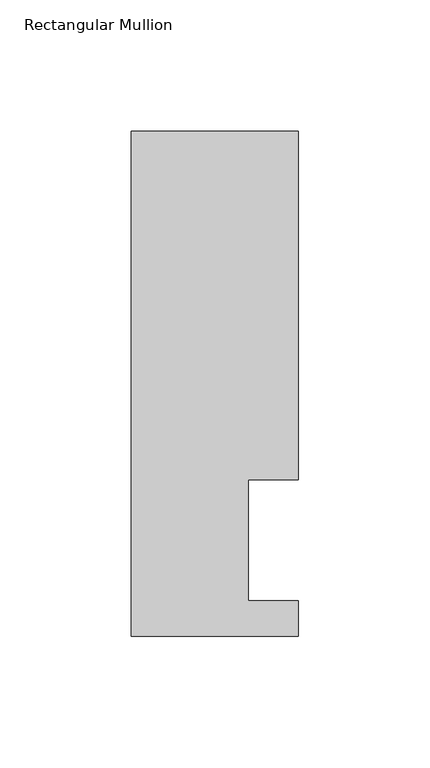
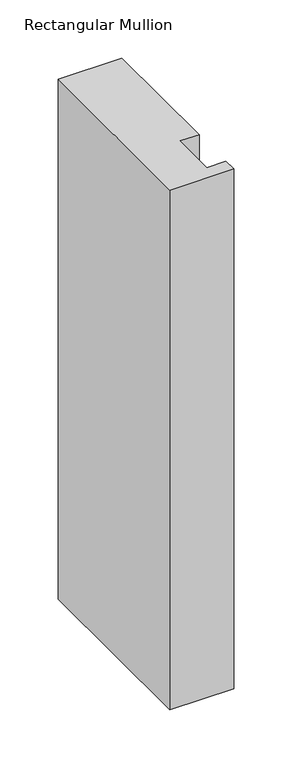
"""IFC4 building model written with IfcOpenShell, lengths in millimetres: member geometry, Rectangular Mullion."""

from ifc_helpers import new_model, si_unit, frame, origin, place, context, project, spatial, polyline, outline, extrude, source, transform, mapped, element, save


def rectangular_mullion_75e1c83e(model_context):
    return source(origin(), model_context, "Body", "SweptSolid", [
        extrude(outline(polyline([(0.0, 59.53125), (-19.0373, 59.53125), (-19.0373, 13.50645), (0.0, 13.50645), (0.0, 0.04445), (-63.5, 0.04445), (-63.5, 192.09385), (0.0, 192.09385), (0.0, 59.53125)])), frame((0.0, 0.0, -546.1), z_axis=(0.0, 0.0, 1.0), x_axis=(1.0, 0.0, 0.0)), (0.0, 0.0, 1.0), 546.1),
    ])


if __name__ == "__main__":
    model = new_model("IFC4")
    model_context = context("Model", 3, world=origin())
    ifc_project = project(units=[si_unit("LENGTHUNIT", "METRE", prefix="MILLI")], contexts=[model_context])
    site = spatial("IfcSite", under=ifc_project)
    building = spatial("IfcBuilding", under=site)
    placement = place(None, origin())
    rectangular_mullion_shape = rectangular_mullion_75e1c83e(model_context)
    element("IfcMember", 1, ObjectType="Rectangular Mullion", at=placement, inside=building, context=model_context, shape_type="MappedRepresentation", body=[
        mapped(rectangular_mullion_shape, transform((0.0, 0.0, 0.0), x_axis=(1.0, 0.0, 0.0), y_axis=(0.0, 1.0, 0.0), z_axis=(0.0, 0.0, 1.0))),
    ])
    save(model, "model.ifc")
